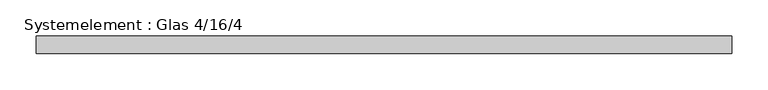
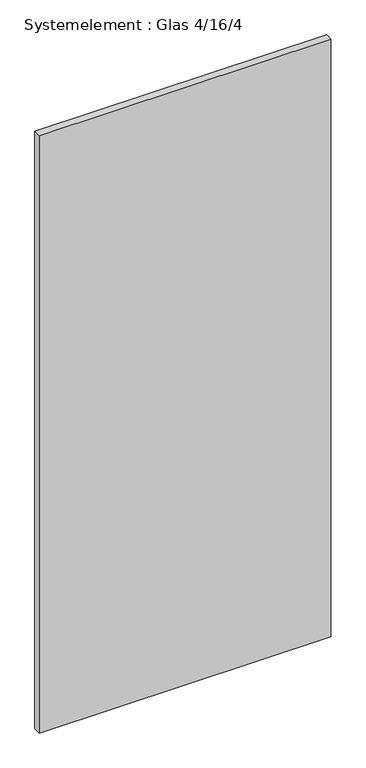
"""IFC4 building model written with IfcOpenShell, lengths in millimetres: plate geometry, Systemelement : Glas 4/16/4."""

from ifc_helpers import new_model, si_unit, origin, origin_with_axes, place, context, project, spatial, polyline, outline, extrude, source, transform, mapped, element, save


def systemelement_glas_4_16_4_7708bf1e(model_context):
    return source(origin(), model_context, "Body", "SweptSolid", [
        extrude(outline(polyline([(477.857143, -12.0), (-477.857143, -12.0), (-477.857143, 12.0), (477.857143, 12.0), (477.857143, -12.0)])), origin_with_axes(), (0.0, 0.0, 1.0), 2070.0),
    ])


if __name__ == "__main__":
    model = new_model("IFC4")
    model_context = context("Model", 3, world=origin())
    ifc_project = project(units=[si_unit("LENGTHUNIT", "METRE", prefix="MILLI")], contexts=[model_context])
    site = spatial("IfcSite", under=ifc_project)
    building = spatial("IfcBuilding", under=site)
    placement = place(None, origin())
    systemelement_glas_4_16_4_shape = systemelement_glas_4_16_4_7708bf1e(model_context)
    element("IfcPlate", 1, ObjectType="Systemelement : Glas 4/16/4", at=placement, inside=building, context=model_context, shape_type="MappedRepresentation", body=[
        mapped(systemelement_glas_4_16_4_shape, transform((0.0, 0.0, 0.0), x_axis=(1.0, 0.0, 0.0), y_axis=(0.0, 1.0, 0.0), z_axis=(0.0, 0.0, 1.0))),
    ])
    save(model, "model.ifc")
